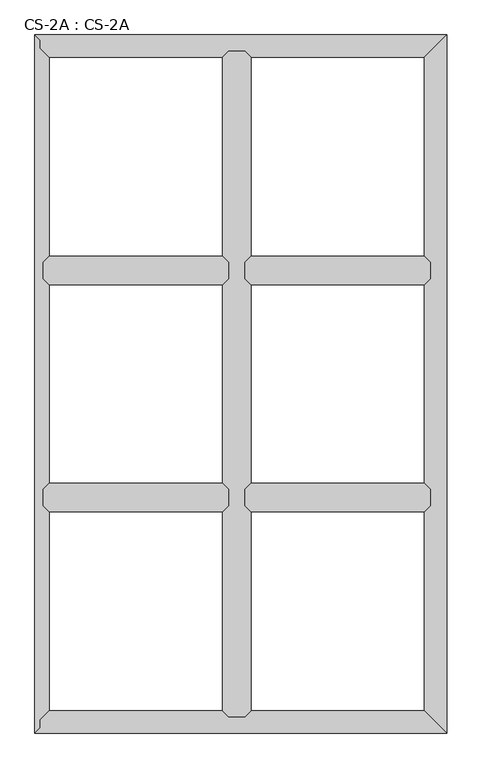
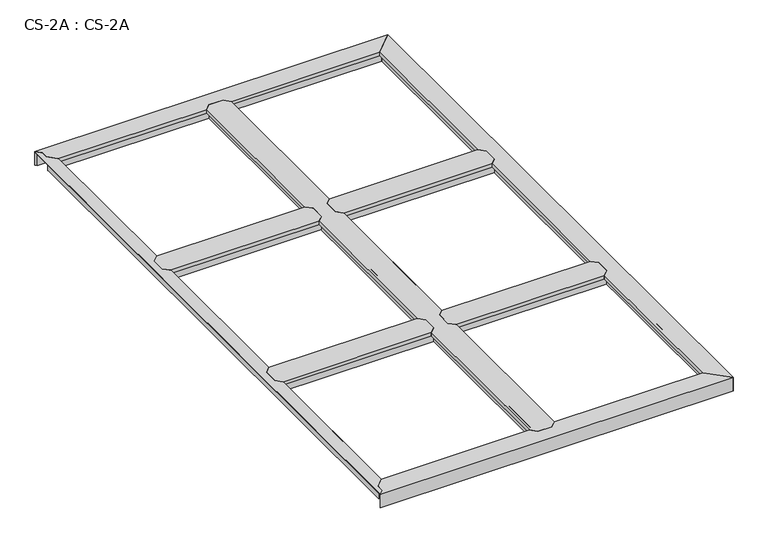
"""IFC4 building model written with IfcOpenShell, lengths in millimetres: proxy geometry, CS-2A : CS-2A."""

from ifc_helpers import new_model, si_unit, origin, place, context, project, spatial, faceted_brep, source, transform, mapped, element, save


def cs_2a_cs_2a_1c314b1f(model_context):
    return source(origin(), model_context, "Body", "Brep", [
        faceted_brep([(1592.58, 914.4, 46.355), (1592.58, 914.4, 0.0), (1592.58, 921.385, 0.0), (1592.58, 921.385, 63.5), (1592.58, 973.455, 63.5), (1592.58, 973.455, 0.0), (1592.58, 980.44, 0.0), (1592.58, 980.44, 46.355), (1592.58, 980.44, 66.675), (1592.58, 914.4, 66.675), (845.82, 980.44, 46.355), (845.82, 980.44, 0.0), (845.82, 973.455, 0.0), (845.82, 973.455, 63.5), (845.82, 921.385, 63.5), (845.82, 921.385, 0.0), (845.82, 914.4, 0.0), (845.82, 914.4, 46.355), (845.82, 914.4, 66.675), (845.82, 980.44, 66.675), (870.458, 1005.078, 66.675), (1567.942, 1005.078, 66.675), (1567.942, 1005.078, 49.8094), (870.458, 1005.078, 49.8094), (1569.466, 1003.554, 49.8094), (868.934, 1003.554, 49.8094), (1569.466, 1003.554, 64.643), (868.934, 1003.554, 64.643), (1579.753, 993.267, 64.643), (858.647, 993.267, 64.643), (1579.753, 993.267, 46.355), (858.647, 993.267, 46.355), (1579.753, 901.573, 46.355), (858.647, 901.573, 46.355), (1579.753, 901.573, 64.643), (858.647, 901.573, 64.643), (1569.466, 891.286, 64.643), (868.934, 891.286, 64.643), (1569.466, 891.286, 49.8094), (868.934, 891.286, 49.8094), (1567.942, 889.762, 49.8094), (870.458, 889.762, 49.8094), (1567.942, 889.762, 66.675), (870.458, 889.762, 66.675)], [[[0, 1, 2, 3, 4, 5, 6, 7, 8, 9]], [[10, 11, 12, 13, 14, 15, 16, 17, 18, 19]], [[20, 21, 22, 23]], [[23, 22, 24, 25]], [[25, 24, 26, 27]], [[27, 26, 28, 29]], [[29, 28, 30, 31]], [[7, 10, 31, 30]], [[7, 6, 11, 10]], [[6, 5, 12, 11]], [[5, 4, 13, 12]], [[4, 3, 14, 13]], [[3, 2, 15, 14]], [[2, 1, 16, 15]], [[1, 0, 17, 16]], [[17, 0, 32, 33]], [[33, 32, 34, 35]], [[35, 34, 36, 37]], [[37, 36, 38, 39]], [[39, 38, 40, 41]], [[41, 40, 42, 43]], [[9, 8, 21, 20, 19, 18, 43, 42]], [[10, 19, 20, 23, 25, 27, 29, 31]], [[18, 17, 33, 35, 37, 39, 41, 43]], [[0, 9, 42, 40, 38, 36, 34, 32]], [[8, 7, 30, 28, 26, 24, 22, 21]]]),
        faceted_brep([(1592.58, 1828.8, 46.355), (1592.58, 1828.8, 0.0), (1592.58, 1835.785, 0.0), (1592.58, 1835.785, 63.5), (1592.58, 1887.855, 63.5), (1592.58, 1887.855, 0.0), (1592.58, 1894.84, 0.0), (1592.58, 1894.84, 46.355), (1592.58, 1894.84, 66.675), (1592.58, 1828.8, 66.675), (845.82, 1894.84, 46.355), (845.82, 1894.84, 0.0), (845.82, 1887.855, 0.0), (845.82, 1887.855, 63.5), (845.82, 1835.785, 63.5), (845.82, 1835.785, 0.0), (845.82, 1828.8, 0.0), (845.82, 1828.8, 46.355), (845.82, 1828.8, 66.675), (845.82, 1894.84, 66.675), (870.458, 1919.478, 66.675), (1567.942, 1919.478, 66.675), (1567.942, 1919.478, 49.8094), (870.458, 1919.478, 49.8094), (1569.466, 1917.954, 49.8094), (868.934, 1917.954, 49.8094), (1569.466, 1917.954, 64.643), (868.934, 1917.954, 64.643), (1579.753, 1907.667, 64.643), (858.647, 1907.667, 64.643), (1579.753, 1907.667, 46.355), (858.647, 1907.667, 46.355), (1579.753, 1815.973, 46.355), (858.647, 1815.973, 46.355), (1579.753, 1815.973, 64.643), (858.647, 1815.973, 64.643), (1569.466, 1805.686, 64.643), (868.934, 1805.686, 64.643), (1569.466, 1805.686, 49.8094), (868.934, 1805.686, 49.8094), (1567.942, 1804.162, 49.8094), (870.458, 1804.162, 49.8094), (1567.942, 1804.162, 66.675), (870.458, 1804.162, 66.675)], [[[0, 1, 2, 3, 4, 5, 6, 7, 8, 9]], [[10, 11, 12, 13, 14, 15, 16, 17, 18, 19]], [[20, 21, 22, 23]], [[23, 22, 24, 25]], [[25, 24, 26, 27]], [[27, 26, 28, 29]], [[29, 28, 30, 31]], [[7, 10, 31, 30]], [[7, 6, 11, 10]], [[6, 5, 12, 11]], [[5, 4, 13, 12]], [[4, 3, 14, 13]], [[3, 2, 15, 14]], [[2, 1, 16, 15]], [[1, 0, 17, 16]], [[17, 0, 32, 33]], [[33, 32, 34, 35]], [[35, 34, 36, 37]], [[37, 36, 38, 39]], [[39, 38, 40, 41]], [[41, 40, 42, 43]], [[9, 8, 21, 20, 19, 18, 43, 42]], [[10, 19, 20, 23, 25, 27, 29, 31]], [[18, 17, 33, 35, 37, 39, 41, 43]], [[0, 9, 42, 40, 38, 36, 34, 32]], [[8, 7, 30, 28, 26, 24, 22, 21]]]),
        faceted_brep([(779.78, 914.4, 46.355), (779.78, 914.4, 0.0), (779.78, 921.385, 0.0), (779.78, 921.385, 63.5), (779.78, 973.455, 63.5), (779.78, 973.455, 0.0), (779.78, 980.44, 0.0), (779.78, 980.44, 46.355), (779.78, 980.44, 66.675), (779.78, 914.4, 66.675), (33.02, 980.44, 46.355), (33.02, 980.44, 0.0), (33.02, 973.455, 0.0), (33.02, 973.455, 63.5), (33.02, 921.385, 63.5), (33.02, 921.385, 0.0), (33.02, 914.4, 0.0), (33.02, 914.4, 46.355), (33.02, 914.4, 66.675), (33.02, 980.44, 66.675), (57.658, 1005.078, 66.675), (755.142, 1005.078, 66.675), (755.142, 1005.078, 49.8094), (57.658, 1005.078, 49.8094), (756.666, 1003.554, 49.8094), (56.134, 1003.554, 49.8094), (756.666, 1003.554, 64.643), (56.134, 1003.554, 64.643), (766.953, 993.267, 64.643), (45.847, 993.267, 64.643), (766.953, 993.267, 46.355), (45.847, 993.267, 46.355), (766.953, 901.573, 46.355), (45.847, 901.573, 46.355), (766.953, 901.573, 64.643), (45.847, 901.573, 64.643), (756.666, 891.286, 64.643), (56.134, 891.286, 64.643), (756.666, 891.286, 49.8094), (56.134, 891.286, 49.8094), (755.142, 889.762, 49.8094), (57.658, 889.762, 49.8094), (755.142, 889.762, 66.675), (57.658, 889.762, 66.675)], [[[0, 1, 2, 3, 4, 5, 6, 7, 8, 9]], [[10, 11, 12, 13, 14, 15, 16, 17, 18, 19]], [[20, 21, 22, 23]], [[23, 22, 24, 25]], [[25, 24, 26, 27]], [[27, 26, 28, 29]], [[29, 28, 30, 31]], [[7, 10, 31, 30]], [[7, 6, 11, 10]], [[6, 5, 12, 11]], [[5, 4, 13, 12]], [[4, 3, 14, 13]], [[3, 2, 15, 14]], [[2, 1, 16, 15]], [[1, 0, 17, 16]], [[17, 0, 32, 33]], [[33, 32, 34, 35]], [[35, 34, 36, 37]], [[37, 36, 38, 39]], [[39, 38, 40, 41]], [[41, 40, 42, 43]], [[9, 8, 21, 20, 19, 18, 43, 42]], [[10, 19, 20, 23, 25, 27, 29, 31]], [[18, 17, 33, 35, 37, 39, 41, 43]], [[0, 9, 42, 40, 38, 36, 34, 32]], [[8, 7, 30, 28, 26, 24, 22, 21]]]),
        faceted_brep([(779.78, 1828.8, 46.355), (779.78, 1828.8, 0.0), (779.78, 1835.785, 0.0), (779.78, 1835.785, 63.5), (779.78, 1887.855, 63.5), (779.78, 1887.855, 0.0), (779.78, 1894.84, 0.0), (779.78, 1894.84, 46.355), (779.78, 1894.84, 66.675), (779.78, 1828.8, 66.675), (33.02, 1894.84, 46.355), (33.02, 1894.84, 0.0), (33.02, 1887.855, 0.0), (33.02, 1887.855, 63.5), (33.02, 1835.785, 63.5), (33.02, 1835.785, 0.0), (33.02, 1828.8, 0.0), (33.02, 1828.8, 46.355), (33.02, 1828.8, 66.675), (33.02, 1894.84, 66.675), (57.658, 1919.478, 66.675), (755.142, 1919.478, 66.675), (755.142, 1919.478, 49.8094), (57.658, 1919.478, 49.8094), (756.666, 1917.954, 49.8094), (56.134, 1917.954, 49.8094), (756.666, 1917.954, 64.643), (56.134, 1917.954, 64.643), (766.953, 1907.667, 64.643), (45.847, 1907.667, 64.643), (766.953, 1907.667, 46.355), (45.847, 1907.667, 46.355), (766.953, 1815.973, 46.355), (45.847, 1815.973, 46.355), (766.953, 1815.973, 64.643), (45.847, 1815.973, 64.643), (756.666, 1805.686, 64.643), (56.134, 1805.686, 64.643), (756.666, 1805.686, 49.8094), (56.134, 1805.686, 49.8094), (755.142, 1804.162, 49.8094), (57.658, 1804.162, 49.8094), (755.142, 1804.162, 66.675), (57.658, 1804.162, 66.675)], [[[0, 1, 2, 3, 4, 5, 6, 7, 8, 9]], [[10, 11, 12, 13, 14, 15, 16, 17, 18, 19]], [[20, 21, 22, 23]], [[23, 22, 24, 25]], [[25, 24, 26, 27]], [[27, 26, 28, 29]], [[29, 28, 30, 31]], [[7, 10, 31, 30]], [[7, 6, 11, 10]], [[6, 5, 12, 11]], [[5, 4, 13, 12]], [[4, 3, 14, 13]], [[3, 2, 15, 14]], [[2, 1, 16, 15]], [[1, 0, 17, 16]], [[17, 0, 32, 33]], [[33, 32, 34, 35]], [[35, 34, 36, 37]], [[37, 36, 38, 39]], [[39, 38, 40, 41]], [[41, 40, 42, 43]], [[9, 8, 21, 20, 19, 18, 43, 42]], [[10, 19, 20, 23, 25, 27, 29, 31]], [[18, 17, 33, 35, 37, 39, 41, 43]], [[0, 9, 42, 40, 38, 36, 34, 32]], [[8, 7, 30, 28, 26, 24, 22, 21]]]),
        faceted_brep([(845.82, 2743.2, 46.355), (845.82, 2743.2, 0.0), (838.835, 2743.2, 0.0), (838.835, 2743.2, 63.5), (786.765, 2743.2, 63.5), (786.765, 2743.2, 0.0), (779.78, 2743.2, 0.0), (779.78, 2743.2, 46.355), (779.78, 2743.2, 66.675), (845.82, 2743.2, 66.675), (779.78, 66.04, 46.355), (779.78, 66.04, 0.0), (786.765, 66.04, 0.0), (786.765, 66.04, 63.5), (838.835, 66.04, 63.5), (838.835, 66.04, 0.0), (845.82, 66.04, 0.0), (845.82, 66.04, 46.355), (845.82, 66.04, 66.675), (779.78, 66.04, 66.675), (755.142, 90.678, 49.8094), (755.142, 90.678, 66.675), (755.142, 889.762, 66.675), (755.142, 889.762, 49.8094), (755.142, 2718.562, 66.675), (755.142, 2718.562, 49.8094), (755.142, 1919.478, 49.8094), (755.142, 1919.478, 66.675), (755.142, 1005.078, 49.8094), (755.142, 1005.078, 66.675), (755.142, 1804.162, 66.675), (755.142, 1804.162, 49.8094), (756.666, 89.154, 49.8094), (756.666, 891.286, 49.8094), (756.666, 2720.086, 49.8094), (756.666, 1917.954, 49.8094), (756.666, 1003.554, 49.8094), (756.666, 1805.686, 49.8094), (756.666, 89.154, 64.643), (756.666, 891.286, 64.643), (756.666, 2720.086, 64.643), (756.666, 1917.954, 64.643), (756.666, 1003.554, 64.643), (756.666, 1805.686, 64.643), (766.953, 78.867, 64.643), (766.953, 901.573, 64.643), (766.953, 2730.373, 64.643), (766.953, 1907.667, 64.643), (766.953, 993.267, 64.643), (766.953, 1815.973, 64.643), (766.953, 78.867, 46.355), (766.953, 901.573, 46.355), (766.953, 2730.373, 46.355), (766.953, 1907.667, 46.355), (766.953, 993.267, 46.355), (766.953, 1815.973, 46.355), (779.78, 914.4, 46.355), (779.78, 1894.84, 46.355), (779.78, 980.44, 46.355), (779.78, 1828.8, 46.355), (779.78, 914.4, 66.675), (779.78, 980.44, 66.675), (779.78, 1828.8, 66.675), (779.78, 1894.84, 66.675), (845.82, 1894.84, 46.355), (845.82, 1894.84, 66.675), (845.82, 1828.8, 66.675), (845.82, 1828.8, 46.355), (845.82, 980.44, 46.355), (845.82, 980.44, 66.675), (845.82, 914.4, 66.675), (845.82, 914.4, 46.355), (858.647, 78.867, 46.355), (858.647, 901.573, 46.355), (858.647, 2730.373, 46.355), (858.647, 1907.667, 46.355), (858.647, 993.267, 46.355), (858.647, 1815.973, 46.355), (858.647, 78.867, 64.643), (858.647, 901.573, 64.643), (858.647, 2730.373, 64.643), (858.647, 1907.667, 64.643), (858.647, 993.267, 64.643), (858.647, 1815.973, 64.643), (868.934, 89.154, 64.643), (868.934, 891.286, 64.643), (868.934, 2720.086, 64.643), (868.934, 1917.954, 64.643), (868.934, 1003.554, 64.643), (868.934, 1805.686, 64.643), (868.934, 89.154, 49.8094), (868.934, 891.286, 49.8094), (868.934, 2720.086, 49.8094), (868.934, 1917.954, 49.8094), (868.934, 1003.554, 49.8094), (868.934, 1805.686, 49.8094), (870.458, 90.678, 49.8094), (870.458, 889.762, 49.8094), (870.458, 2718.562, 49.8094), (870.458, 1919.478, 49.8094), (870.458, 1005.078, 49.8094), (870.458, 1804.162, 49.8094), (870.458, 90.678, 66.675), (870.458, 889.762, 66.675), (870.458, 2718.562, 66.675), (870.458, 1919.478, 66.675), (870.458, 1005.078, 66.675), (870.458, 1804.162, 66.675)], [[[0, 1, 2, 3, 4, 5, 6, 7, 8, 9]], [[10, 11, 12, 13, 14, 15, 16, 17, 18, 19]], [[20, 21, 22, 23]], [[24, 25, 26, 27]], [[28, 29, 30, 31]], [[32, 20, 23, 33]], [[25, 34, 35, 26]], [[36, 28, 31, 37]], [[38, 32, 33, 39]], [[34, 40, 41, 35]], [[42, 36, 37, 43]], [[44, 38, 39, 45]], [[40, 46, 47, 41]], [[48, 42, 43, 49]], [[50, 44, 45, 51]], [[46, 52, 53, 47]], [[54, 48, 49, 55]], [[10, 50, 51, 56]], [[52, 7, 57, 53]], [[58, 54, 55, 59]], [[7, 6, 11, 10, 56, 60, 61, 58, 59, 62, 63, 57]], [[6, 5, 12, 11]], [[5, 4, 13, 12]], [[4, 3, 14, 13]], [[3, 2, 15, 14]], [[2, 1, 16, 15]], [[1, 0, 64, 65, 66, 67, 68, 69, 70, 71, 17, 16]], [[72, 17, 71, 73]], [[0, 74, 75, 64]], [[76, 68, 67, 77]], [[78, 72, 73, 79]], [[74, 80, 81, 75]], [[82, 76, 77, 83]], [[84, 78, 79, 85]], [[80, 86, 87, 81]], [[88, 82, 83, 89]], [[90, 84, 85, 91]], [[86, 92, 93, 87]], [[94, 88, 89, 95]], [[96, 90, 91, 97]], [[92, 98, 99, 93]], [[100, 94, 95, 101]], [[102, 96, 97, 103]], [[98, 104, 105, 99]], [[106, 100, 101, 107]], [[9, 8, 24, 27, 63, 62, 30, 29, 61, 60, 22, 21, 19, 18, 102, 103, 70, 69, 106, 107, 66, 65, 105, 104]], [[10, 19, 21, 20, 32, 38, 44, 50]], [[18, 17, 72, 78, 84, 90, 96, 102]], [[0, 9, 104, 98, 92, 86, 80, 74]], [[8, 7, 52, 46, 40, 34, 25, 24]], [[60, 56, 51, 45, 39, 33, 23, 22]], [[58, 61, 29, 28, 36, 42, 48, 54]], [[62, 59, 55, 49, 43, 37, 31, 30]], [[57, 63, 27, 26, 35, 41, 47, 53]], [[69, 68, 76, 82, 88, 94, 100, 106]], [[71, 70, 103, 97, 91, 85, 79, 73]], [[65, 64, 75, 81, 87, 93, 99, 105]], [[67, 66, 107, 101, 95, 89, 83, 77]]]),
        faceted_brep([(1658.62, 0.0, 0.0), (0.0, 0.0, 0.0), (6.985, 6.985, 0.0), (1651.635, 6.985, 0.0), (1651.635, 6.985, 63.5), (6.985, 6.985, 63.5), (1599.565, 59.055, 63.5), (21.59, 21.59, 63.5), (21.59, 53.34, 63.5), (27.1106122, 59.055, 63.5), (1599.565, 59.055, 0.0), (27.1106122, 59.055, 0.0), (33.8580272, 66.04, 0.0), (1592.58, 66.04, 0.0), (1592.58, 66.04, 46.355), (33.8580272, 66.04, 46.355), (779.78, 66.04, 46.355), (779.78, 66.04, 66.675), (845.82, 66.04, 66.675), (845.82, 66.04, 46.355), (1579.753, 78.867, 46.355), (858.647, 78.867, 46.355), (46.2487347, 78.867, 46.355), (766.953, 78.867, 46.355), (1579.753, 78.867, 63.5), (858.647, 78.867, 63.5), (46.2487347, 78.867, 63.5), (766.953, 78.867, 63.5), (1569.466, 89.154, 63.5), (868.934, 89.154, 63.5), (56.1858367, 89.154, 63.5), (756.666, 89.154, 63.5), (1569.466, 89.154, 49.8094), (868.934, 89.154, 49.8094), (56.1858367, 89.154, 49.8094), (756.666, 89.154, 49.8094), (1567.942, 90.678, 49.8094), (870.458, 90.678, 49.8094), (57.658, 90.678, 49.8094), (755.142, 90.678, 49.8094), (1567.942, 90.678, 66.675), (870.458, 90.678, 66.675), (57.658, 90.678, 66.675), (755.142, 90.678, 66.675), (0.0, 0.0, 66.675), (1658.62, 0.0, 66.675), (21.59, 53.34, 66.675), (21.59, 21.59, 66.675)], [[[0, 1, 2, 3]], [[4, 3, 2, 5]], [[6, 4, 5, 7, 8, 9]], [[10, 6, 9, 11]], [[12, 13, 10, 11]], [[14, 13, 12, 15, 16, 17, 18, 19]], [[20, 14, 19, 21]], [[15, 22, 23, 16]], [[24, 20, 21, 25]], [[22, 26, 27, 23]], [[28, 24, 25, 29]], [[26, 30, 31, 27]], [[32, 28, 29, 33]], [[30, 34, 35, 31]], [[36, 32, 33, 37]], [[34, 38, 39, 35]], [[40, 36, 37, 41]], [[38, 42, 43, 39]], [[44, 45, 40, 41, 18, 17, 43, 42, 46, 47]], [[1, 0, 45, 44]], [[0, 3, 4, 6, 10, 13, 14, 20, 24, 28, 32, 36, 40, 45]], [[7, 47, 46, 8]], [[8, 46, 42, 38, 34, 30, 26, 22, 15, 12, 11, 9]], [[47, 7, 5, 2, 1, 44]], [[17, 16, 23, 27, 31, 35, 39, 43]], [[19, 18, 41, 37, 33, 29, 25, 21]]]),
        faceted_brep([(1658.62, 2809.24, 0.0), (1658.62, 0.0, 0.0), (1651.635, 6.985, 0.0), (1651.635, 2802.255, 0.0), (1651.635, 2802.255, 63.5), (1651.635, 6.985, 63.5), (1599.565, 2750.185, 63.5), (1599.565, 59.055, 63.5), (1599.565, 2750.185, 0.0), (1599.565, 59.055, 0.0), (1592.58, 66.04, 0.0), (1592.58, 2743.2, 0.0), (1592.58, 2743.2, 46.355), (1592.58, 66.04, 46.355), (1592.58, 914.4, 46.355), (1592.58, 914.4, 66.675), (1592.58, 980.44, 66.675), (1592.58, 980.44, 46.355), (1592.58, 1828.8, 46.355), (1592.58, 1828.8, 66.675), (1592.58, 1894.84, 66.675), (1592.58, 1894.84, 46.355), (1579.753, 2730.373, 46.355), (1579.753, 1907.667, 46.355), (1579.753, 78.867, 46.355), (1579.753, 901.573, 46.355), (1579.753, 1815.973, 46.355), (1579.753, 993.267, 46.355), (1579.753, 2730.373, 63.5), (1579.753, 1907.667, 63.5), (1579.753, 78.867, 63.5), (1579.753, 901.573, 63.5), (1579.753, 1815.973, 63.5), (1579.753, 993.267, 63.5), (1569.466, 2720.086, 63.5), (1569.466, 1917.954, 63.5), (1569.466, 89.154, 63.5), (1569.466, 891.286, 63.5), (1569.466, 1805.686, 63.5), (1569.466, 1003.554, 63.5), (1569.466, 2720.086, 49.8094), (1569.466, 1917.954, 49.8094), (1569.466, 89.154, 49.8094), (1569.466, 891.286, 49.8094), (1569.466, 1805.686, 49.8094), (1569.466, 1003.554, 49.8094), (1567.942, 2718.562, 49.8094), (1567.942, 1919.478, 49.8094), (1567.942, 90.678, 49.8094), (1567.942, 889.762, 49.8094), (1567.942, 1804.162, 49.8094), (1567.942, 1005.078, 49.8094), (1567.942, 2718.562, 66.675), (1567.942, 1919.478, 66.675), (1567.942, 90.678, 66.675), (1567.942, 889.762, 66.675), (1567.942, 1804.162, 66.675), (1567.942, 1005.078, 66.675), (1658.62, 0.0, 66.675), (1658.62, 2809.24, 66.675)], [[[0, 1, 2, 3]], [[4, 3, 2, 5]], [[6, 4, 5, 7]], [[8, 6, 7, 9]], [[10, 11, 8, 9]], [[12, 11, 10, 13, 14, 15, 16, 17, 18, 19, 20, 21]], [[22, 12, 21, 23]], [[13, 24, 25, 14]], [[26, 18, 17, 27]], [[28, 22, 23, 29]], [[24, 30, 31, 25]], [[32, 26, 27, 33]], [[34, 28, 29, 35]], [[30, 36, 37, 31]], [[38, 32, 33, 39]], [[40, 34, 35, 41]], [[36, 42, 43, 37]], [[44, 38, 39, 45]], [[46, 40, 41, 47]], [[42, 48, 49, 43]], [[50, 44, 45, 51]], [[52, 46, 47, 53]], [[48, 54, 55, 49]], [[56, 50, 51, 57]], [[58, 59, 52, 53, 20, 19, 56, 57, 16, 15, 55, 54]], [[1, 0, 59, 58]], [[0, 3, 4, 6, 8, 11, 12, 22, 28, 34, 40, 46, 52, 59]], [[2, 1, 58, 54, 48, 42, 36, 30, 24, 13, 10, 9, 7, 5]], [[19, 18, 26, 32, 38, 44, 50, 56]], [[21, 20, 53, 47, 41, 35, 29, 23]], [[15, 14, 25, 31, 37, 43, 49, 55]], [[17, 16, 57, 51, 45, 39, 33, 27]]]),
        faceted_brep([(0.0, 2809.24, 0.0), (1658.62, 2809.24, 0.0), (1651.635, 2802.255, 0.0), (6.985, 2802.255, 0.0), (6.985, 2802.255, 63.5), (1651.635, 2802.255, 63.5), (21.59, 2787.65, 63.5), (1599.565, 2750.185, 63.5), (27.1106122, 2750.185, 63.5), (21.59, 2755.9, 63.5), (27.1106122, 2750.185, 0.0), (1599.565, 2750.185, 0.0), (1592.58, 2743.2, 0.0), (33.8580272, 2743.2, 0.0), (33.8580272, 2743.2, 46.355), (1592.58, 2743.2, 46.355), (845.82, 2743.2, 46.355), (845.82, 2743.2, 66.675), (779.78, 2743.2, 66.675), (779.78, 2743.2, 46.355), (46.2487347, 2730.373, 46.355), (766.953, 2730.373, 46.355), (1579.753, 2730.373, 46.355), (858.647, 2730.373, 46.355), (46.2487347, 2730.373, 63.5), (766.953, 2730.373, 63.5), (1579.753, 2730.373, 63.5), (858.647, 2730.373, 63.5), (56.1858367, 2720.086, 63.5), (756.666, 2720.086, 63.5), (1569.466, 2720.086, 63.5), (868.934, 2720.086, 63.5), (56.1858367, 2720.086, 49.8094), (756.666, 2720.086, 49.8094), (1569.466, 2720.086, 49.8094), (868.934, 2720.086, 49.8094), (57.658, 2718.562, 49.8094), (755.142, 2718.562, 49.8094), (1567.942, 2718.562, 49.8094), (870.458, 2718.562, 49.8094), (57.658, 2718.562, 66.675), (755.142, 2718.562, 66.675), (1567.942, 2718.562, 66.675), (870.458, 2718.562, 66.675), (1658.62, 2809.24, 66.675), (0.0, 2809.24, 66.675), (21.59, 2787.65, 66.675), (21.59, 2755.9, 66.675)], [[[0, 1, 2, 3]], [[4, 3, 2, 5]], [[6, 4, 5, 7, 8, 9]], [[10, 8, 7, 11]], [[12, 13, 10, 11]], [[14, 13, 12, 15, 16, 17, 18, 19]], [[20, 14, 19, 21]], [[15, 22, 23, 16]], [[24, 20, 21, 25]], [[22, 26, 27, 23]], [[28, 24, 25, 29]], [[26, 30, 31, 27]], [[32, 28, 29, 33]], [[30, 34, 35, 31]], [[36, 32, 33, 37]], [[34, 38, 39, 35]], [[40, 36, 37, 41]], [[38, 42, 43, 39]], [[44, 45, 46, 47, 40, 41, 18, 17, 43, 42]], [[1, 0, 45, 44]], [[6, 46, 45, 0, 3, 4]], [[47, 9, 8, 10, 13, 14, 20, 24, 28, 32, 36, 40]], [[46, 6, 9, 47]], [[2, 1, 44, 42, 38, 34, 30, 26, 22, 15, 12, 11, 7, 5]], [[17, 16, 23, 27, 31, 35, 39, 43]], [[19, 18, 41, 37, 33, 29, 25, 21]]]),
        faceted_brep([(0.0, 2809.24, 66.675), (0.0, 0.0, 66.675), (21.59, 21.59, 66.675), (21.59, 53.34, 66.675), (57.658, 90.678, 66.675), (57.658, 889.762, 66.675), (33.02, 914.4, 66.675), (33.02, 980.44, 66.675), (57.658, 1005.078, 66.675), (57.658, 1804.162, 66.675), (33.02, 1828.8, 66.675), (33.02, 1894.84, 66.675), (57.658, 1919.478, 66.675), (57.658, 2718.562, 66.675), (21.59, 2755.9, 66.675), (21.59, 2787.65, 66.675), (0.0, 2809.24, 63.5), (0.0, 0.0, 63.5), (21.59, 2787.65, 63.5), (21.59, 2755.9, 63.5), (26.035, 2751.2984859, 63.5), (26.035, 57.9415141, 63.5), (21.59, 53.34, 63.5), (21.59, 21.59, 63.5), (26.035, 57.9415141, 0.0), (26.035, 2751.2984859, 0.0), (33.02, 2744.0675352, 0.0), (33.02, 65.1724648, 0.0), (33.02, 65.1724648, 46.355), (33.02, 2744.0675352, 46.355), (33.02, 1894.84, 46.355), (33.02, 1828.8, 46.355), (33.02, 980.44, 46.355), (33.02, 914.4, 46.355), (45.847, 78.4511197, 46.355), (45.847, 901.573, 46.355), (45.847, 2730.7888803, 46.355), (45.847, 1907.667, 46.355), (45.847, 993.267, 46.355), (45.847, 1815.973, 46.355), (45.847, 78.4511197, 64.643), (45.847, 901.573, 64.643), (45.847, 2730.7888803, 64.643), (45.847, 1907.667, 64.643), (45.847, 993.267, 64.643), (45.847, 1815.973, 64.643), (56.134, 89.100338, 64.643), (56.134, 891.286, 64.643), (56.134, 2720.139662, 64.643), (56.134, 1917.954, 64.643), (56.134, 1003.554, 64.643), (56.134, 1805.686, 64.643), (56.134, 89.100338, 49.8094), (56.134, 891.286, 49.8094), (56.134, 2720.139662, 49.8094), (56.134, 1917.954, 49.8094), (56.134, 1003.554, 49.8094), (56.134, 1805.686, 49.8094), (57.658, 90.678, 49.8094), (57.658, 889.762, 49.8094), (57.658, 2718.562, 49.8094), (57.658, 1919.478, 49.8094), (57.658, 1005.078, 49.8094), (57.658, 1804.162, 49.8094)], [[[0, 1, 2, 3, 4, 5, 6, 7, 8, 9, 10, 11, 12, 13, 14, 15]], [[1, 0, 16, 17]], [[17, 16, 18, 19, 20, 21, 22, 23]], [[24, 21, 20, 25]], [[26, 27, 24, 25]], [[28, 27, 26, 29, 30, 11, 10, 31, 32, 7, 6, 33]], [[34, 28, 33, 35]], [[29, 36, 37, 30]], [[38, 32, 31, 39]], [[40, 34, 35, 41]], [[36, 42, 43, 37]], [[44, 38, 39, 45]], [[46, 40, 41, 47]], [[42, 48, 49, 43]], [[50, 44, 45, 51]], [[52, 46, 47, 53]], [[48, 54, 55, 49]], [[56, 50, 51, 57]], [[58, 52, 53, 59]], [[54, 60, 61, 55]], [[62, 56, 57, 63]], [[4, 58, 59, 5]], [[60, 13, 12, 61]], [[8, 62, 63, 9]], [[23, 2, 1, 17]], [[3, 22, 21, 24, 27, 28, 34, 40, 46, 52, 58, 4]], [[2, 23, 22, 3]], [[18, 15, 14, 19]], [[19, 14, 13, 60, 54, 48, 42, 36, 29, 26, 25, 20]], [[15, 18, 16, 0]], [[7, 32, 38, 44, 50, 56, 62, 8]], [[33, 6, 5, 59, 53, 47, 41, 35]], [[11, 30, 37, 43, 49, 55, 61, 12]], [[31, 10, 9, 63, 57, 51, 45, 39]]]),
    ])


if __name__ == "__main__":
    model = new_model("IFC4")
    model_context = context("Model", 3, world=origin())
    ifc_project = project(units=[si_unit("LENGTHUNIT", "METRE", prefix="MILLI")], contexts=[model_context])
    site = spatial("IfcSite", under=ifc_project)
    building = spatial("IfcBuilding", under=site)
    placement = place(None, origin())
    cs_2a_cs_2a_shape = cs_2a_cs_2a_1c314b1f(model_context)
    element("IfcBuildingElementProxy", 1, Name="CS-2A : CS-2A", ObjectType="CS-2A : CS-2A", at=placement, inside=building, context=model_context, shape_type="MappedRepresentation", body=[
        mapped(cs_2a_cs_2a_shape, transform((0.0, 0.0, 0.0), x_axis=(1.0, 0.0, 0.0), y_axis=(0.0, 1.0, 0.0), z_axis=(0.0, 0.0, 1.0))),
    ])
    save(model, "model.ifc")
